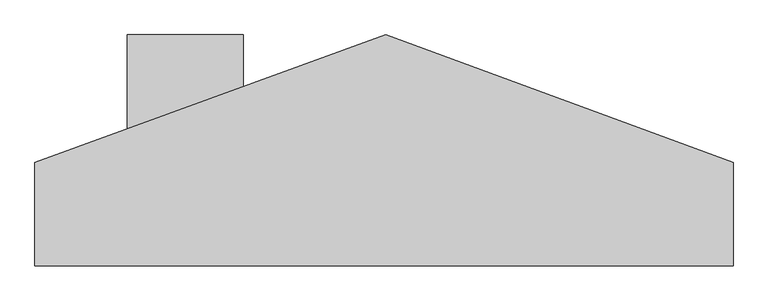
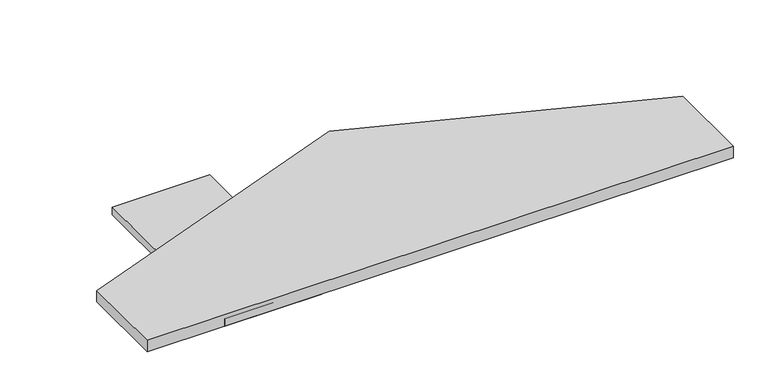
"""IFC4 building model written with IfcOpenShell, lengths in millimetres: proxy geometry."""

from ifc_helpers import new_model, si_unit, frame, origin, place, context, project, spatial, polyline, outline, extrude, source, transform, mapped, element, save


def specialty_equipment_461fbbde(model_context):
    return source(origin(), model_context, "Body", "SweptSolid", [
        extrude(outline(polyline([(-395.5559872, -304.8), (-395.5559872, -31.8356155), (528.5091122, 304.8), (1442.9091122, -31.8356155), (1442.9091122, -304.8), (-395.5559872, -304.8)])), frame((0.0, 0.0, 838.2), z_axis=(0.0, 0.0, 1.0), x_axis=(1.0, 0.0, 0.0)), (0.0, 0.0, 1.0), 38.1),
        extrude(outline(polyline([(-152.4, 304.8), (152.4, 304.8), (152.4, -304.8), (-152.4, -304.8), (-152.4, 0.0), (-152.4, 304.8)])), frame((0.0, 0.0, 838.2), z_axis=(0.0, 0.0, 1.0), x_axis=(1.0, 0.0, 0.0)), (0.0, 0.0, 1.0), 25.4),
    ])


if __name__ == "__main__":
    model = new_model("IFC4")
    model_context = context("Model", 3, world=origin())
    ifc_project = project(units=[si_unit("LENGTHUNIT", "METRE", prefix="MILLI")], contexts=[model_context])
    site = spatial("IfcSite", under=ifc_project)
    building = spatial("IfcBuilding", under=site)
    placement = place(None, origin())
    specialty_equipment_shape = specialty_equipment_461fbbde(model_context)
    element("IfcBuildingElementProxy", 1, Name="Specialty Equipment", at=placement, inside=building, context=model_context, shape_type="MappedRepresentation", body=[
        mapped(specialty_equipment_shape, transform((0.0, 0.0, 0.0), x_axis=(1.0, 0.0, 0.0), y_axis=(0.0, 1.0, 0.0), z_axis=(0.0, 0.0, 1.0))),
    ])
    save(model, "model.ifc")
